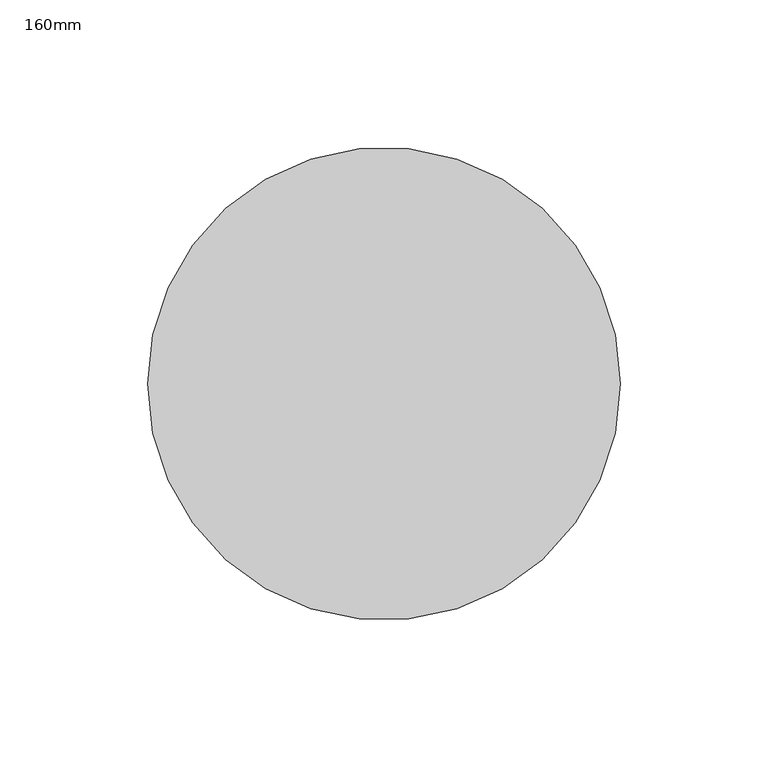
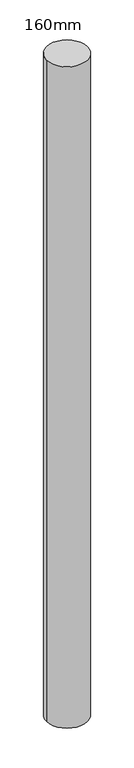
"""IFC4 building model written with IfcOpenShell, lengths in millimetres: column geometry, 160mm."""

from ifc_helpers import new_model, si_unit, point, frame, origin, origin_2d, place, context, project, spatial, circle_curve, trimmed, segment, composite_curve, outline, extrude, source, transform, mapped, element, save


def column_160mm_d54e75eb(model_context):
    return source(origin(), model_context, "Body", "SweptSolid", [
        extrude(outline(composite_curve([segment(trimmed(circle_curve(origin_2d(), 80.0), [point((-80.0, 0.0))], [point((80.0, 0.0))], False, "CARTESIAN"), True, "CONTINUOUS"), segment(trimmed(circle_curve(origin_2d(), 80.0), [point((80.0, 0.0))], [point((-80.0, 0.0))], False, "CARTESIAN"), True, "CONTINUOUS")], self_intersect=False)), frame((0.0, 0.0, 2960.0), z_axis=(0.0, 0.0, 1.0), x_axis=(1.0, 0.0, 0.0)), (0.0, 0.0, 1.0), 2740.0),
    ])


if __name__ == "__main__":
    model = new_model("IFC4")
    model_context = context("Model", 3, world=origin())
    ifc_project = project(units=[si_unit("LENGTHUNIT", "METRE", prefix="MILLI")], contexts=[model_context])
    site = spatial("IfcSite", under=ifc_project)
    building = spatial("IfcBuilding", under=site)
    placement = place(None, origin())
    column_160mm_shape = column_160mm_d54e75eb(model_context)
    element("IfcColumn", 1, ObjectType="160mm", at=placement, inside=building, context=model_context, shape_type="MappedRepresentation", body=[
        mapped(column_160mm_shape, transform((0.0, 0.0, 0.0), x_axis=(1.0, 0.0, 0.0), y_axis=(0.0, 1.0, 0.0), z_axis=(0.0, 0.0, 1.0))),
    ])
    save(model, "model.ifc")
